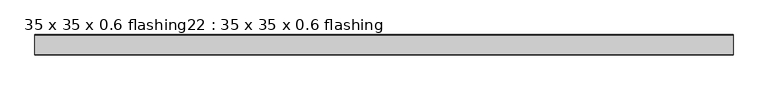
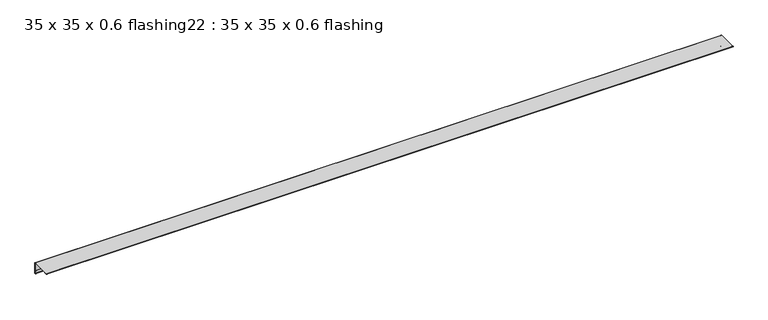
"""IFC4 building model written with IfcOpenShell, lengths in millimetres: proxy geometry, 35 x 35 x 0.6 flashing22 : 35 x 35 x 0.6 flashing."""

from ifc_helpers import new_model, si_unit, point, frame, frame_2d, origin, place, context, project, spatial, polyline, circle_curve, trimmed, segment, composite_curve, outline, extrude, source, transform, mapped, element, save


def proxy_35_x_35_x_0_6_flashing22_35_x_35_x_0_6_flashing_020c508b(model_context):
    return source(origin(), model_context, "Body", "SweptSolid", [
        extrude(outline(composite_curve([segment(trimmed(circle_curve(frame_2d((-10303.3538523, 1488.3887139)), 1.0), [point((-10302.3538523, 1488.3887139))], [point((-10304.3538523, 1488.3887139))], False, "CARTESIAN"), True, "CONTINUOUS"), segment(polyline([(-10304.3538523, 1488.3887139), (-10304.3538523, 1497.390498), (-10303.3538523, 1497.390498), (-10303.3538523, 1525.8887139)]), True, "CONTINUOUS"), segment(trimmed(circle_curve(frame_2d((-10304.8538523, 1525.8887139)), 1.5), [point((-10303.3538523, 1525.8887139))], [point((-10304.8538523, 1527.3887139))], True, "CARTESIAN"), True, "CONTINUOUS"), segment(polyline([(-10304.8538523, 1527.3887139), (-10362.3538523, 1527.3887139), (-10362.3538523, 1526.3887139), (-10371.3865297, 1526.3887139)]), True, "CONTINUOUS"), segment(trimmed(circle_curve(frame_2d((-10371.3865297, 1527.3887139)), 1.0), [point((-10371.3865297, 1526.3887139))], [point((-10371.3865297, 1528.3887139))], False, "CARTESIAN"), True, "CONTINUOUS"), segment(polyline([(-10371.3865297, 1528.3887139), (-10304.8538523, 1528.3887139)]), True, "CONTINUOUS"), segment(trimmed(circle_curve(frame_2d((-10304.8538523, 1525.8887139)), 2.5), [point((-10304.8538523, 1528.3887139))], [point((-10302.3538523, 1525.8887139))], False, "CARTESIAN"), True, "CONTINUOUS"), segment(polyline([(-10302.3538523, 1525.8887139), (-10302.3538523, 1488.3887139)]), True, "CONTINUOUS")], self_intersect=False)), frame((-7919.6640929, 0.0, 0.0), z_axis=(1.0, 0.0, 0.0), x_axis=(0.0, 1.0, 0.0)), (0.0, 0.0, 1.0), 2410.6438934),
    ])


if __name__ == "__main__":
    model = new_model("IFC4")
    model_context = context("Model", 3, world=origin())
    ifc_project = project(units=[si_unit("LENGTHUNIT", "METRE", prefix="MILLI")], contexts=[model_context])
    site = spatial("IfcSite", under=ifc_project)
    building = spatial("IfcBuilding", under=site)
    placement = place(None, origin())
    proxy_35_x_35_x_0_6_flashing22_35_x_35_x_0_6_flashing_shape = proxy_35_x_35_x_0_6_flashing22_35_x_35_x_0_6_flashing_020c508b(model_context)
    element("IfcBuildingElementProxy", 1, Name="35 x 35 x 0.6 flashing22 : 35 x 35 x 0.6 flashing", ObjectType="35 x 35 x 0.6 flashing22 : 35 x 35 x 0.6 flashing", at=placement, inside=building, context=model_context, shape_type="MappedRepresentation", body=[
        mapped(proxy_35_x_35_x_0_6_flashing22_35_x_35_x_0_6_flashing_shape, transform((0.0, 0.0, 0.0), x_axis=(1.0, 0.0, 0.0), y_axis=(0.0, 1.0, 0.0), z_axis=(0.0, 0.0, 1.0))),
    ])
    save(model, "model.ifc")
